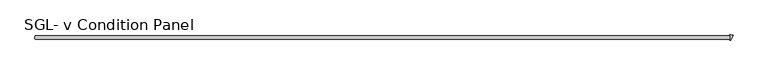
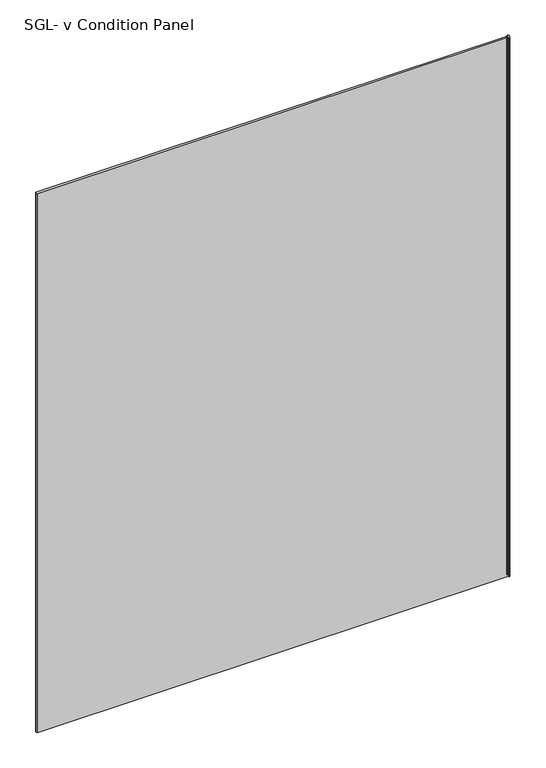
"""IFC4 building model written with IfcOpenShell, lengths in millimetres: plate geometry, SGL- v Condition Panel."""

import ifcopenshell
import ifcopenshell.guid

model = None  # the IFC model being written
_history = None  # IfcOwnerHistory: only IFC2X3 demands one
_inside = {}  # id of a spatial element -> (the spatial element, [elements in it])
_under = {}  # id of a project, library or spatial element -> (it, [spatial elements below it])
_declared = {}  # id of a project -> (the project, [libraries it declares])
_typed = {}  # id of a type object -> (the type object, [elements of that type])
_made_of = {}  # id of a material, layer set ... -> (it, [elements and type objects made of it])


def new_model(schema):
    """Start an empty IFC model of exactly this schema.

    Asked for "IFC4X3", IfcOpenShell would pick the latest addendum, in which some entities
    have other attributes; the version numbers below select the first issue.
    IFC2X3 requires an IfcOwnerHistory on every rooted entity: one is made here for all.
    """
    global model, _history
    if schema == "IFC4X3":
        model = ifcopenshell.file(schema_version=(4, 3, 0, 0))
    else:
        model = ifcopenshell.file(schema=schema)
    _inside.clear()
    _under.clear()
    _declared.clear()
    _typed.clear()
    _made_of.clear()
    _history = None
    if model.schema == "IFC2X3":
        org = make("IfcOrganization", Name="unknown")
        user = make(
            "IfcPersonAndOrganization",
            ThePerson=make("IfcPerson", FamilyName="unknown"),
            TheOrganization=org,
        )
        app = make(
            "IfcApplication",
            ApplicationDeveloper=org,
            Version="unknown",
            ApplicationFullName="unknown",
            ApplicationIdentifier="unknown",
        )
        _history = make(
            "IfcOwnerHistory",
            OwningUser=user,
            OwningApplication=app,
            ChangeAction="ADDED",
            CreationDate=0,
        )
    return model


def make(cls, **values):
    """One entity of the class cls with the attributes given. An attribute that is None is left unset."""
    return model.create_entity(
        cls, **{name: value for name, value in values.items() if value is not None}
    )


def rooted(cls, **values):
    """An entity with a GlobalId (a new one), such as an element, a storey or a relation."""
    return make(cls, GlobalId=ifcopenshell.guid.new(), OwnerHistory=_history, **values)


def si_unit(unit_type, name, prefix=None):
    """IfcSIUnit, for example si_unit("LENGTHUNIT", "METRE", prefix="MILLI")."""
    return make("IfcSIUnit", UnitType=unit_type, Prefix=prefix, Name=name)


def assignment(units):
    """IfcUnitAssignment: the units of a project."""
    return None if units is None else make("IfcUnitAssignment", Units=units)


def point(xyz):
    """IfcCartesianPoint."""
    return None if xyz is None else make("IfcCartesianPoint", Coordinates=xyz)


def direction(xyz):
    """IfcDirection."""
    return None if xyz is None else make("IfcDirection", DirectionRatios=xyz)


def frame(location, z_axis=None, x_axis=None):
    """IfcAxis2Placement3D, a coordinate frame: its origin and axes. An axis left out is left unset."""
    return make(
        "IfcAxis2Placement3D",
        Location=point(location),
        Axis=direction(z_axis),
        RefDirection=direction(x_axis),
    )


def frame_2d(location, x_axis=None):
    """IfcAxis2Placement2D, a coordinate frame in the plane: its origin and x axis."""
    return make(
        "IfcAxis2Placement2D", Location=point(location), RefDirection=direction(x_axis)
    )


def origin():
    """The frame at (0, 0, 0) with its axes left unset."""
    return frame((0.0, 0.0, 0.0))


def origin_with_axes():
    """The frame at (0, 0, 0) with the z axis (0, 0, 1) and the x axis (1, 0, 0) written out."""
    return frame((0.0, 0.0, 0.0), z_axis=(0.0, 0.0, 1.0), x_axis=(1.0, 0.0, 0.0))


def place(relative_to, where):
    """IfcLocalPlacement: puts the frame where relative to a parent placement (None: the world)."""
    return make(
        "IfcLocalPlacement", PlacementRelTo=relative_to, RelativePlacement=where
    )


def context(
    kind, dimensions, precision=None, world=None, true_north=None, identifier=None
):
    """IfcGeometricRepresentationContext, for example the 3D "Model" context."""
    return make(
        "IfcGeometricRepresentationContext",
        ContextIdentifier=identifier,
        ContextType=kind,
        CoordinateSpaceDimension=dimensions,
        Precision=precision,
        WorldCoordinateSystem=world,
        TrueNorth=true_north,
    )


def project(units=None, contexts=None):
    """IfcProject with its units and contexts."""
    return rooted(
        "IfcProject",
        Name="project",
        RepresentationContexts=contexts,
        UnitsInContext=assignment(units),
    )


def spatial(cls, under=None, at=None, **own):
    """A site, building, storey or space (cls), placed at a placement, below another one or the project."""
    s = rooted(cls, ObjectPlacement=at, **own)
    if under is not None:
        _under.setdefault(under.id(), (under, []))[1].append(s)
    return s


def polyline(points):
    """IfcPolyline through the points."""
    return make("IfcPolyline", Points=[point(p) for p in points])


def circle_curve(where, radius):
    """IfcCircle in the frame where."""
    return make("IfcCircle", Position=where, Radius=radius)


def trimmed(basis, trim1, trim2, sense, master):
    """IfcTrimmedCurve: the piece of a basis curve between two trims."""
    return make(
        "IfcTrimmedCurve",
        BasisCurve=basis,
        Trim1=trim1,
        Trim2=trim2,
        SenseAgreement=sense,
        MasterRepresentation=master,
    )


def segment(curve, same_sense, transition):
    """IfcCompositeCurveSegment."""
    return make(
        "IfcCompositeCurveSegment",
        Transition=transition,
        SameSense=same_sense,
        ParentCurve=curve,
    )


def composite_curve(segments, self_intersect=None):
    """IfcCompositeCurve: segments joined end to end."""
    return make("IfcCompositeCurve", Segments=segments, SelfIntersect=self_intersect)


def outline(outer, holes=None, kind="AREA"):
    """IfcArbitraryClosedProfileDef: a profile drawn as a closed curve; with holes, ...WithVoids."""
    if holes is None:
        return make("IfcArbitraryClosedProfileDef", ProfileType=kind, OuterCurve=outer)
    return make(
        "IfcArbitraryProfileDefWithVoids",
        ProfileType=kind,
        OuterCurve=outer,
        InnerCurves=holes,
    )


def extrude(swept, where, along, depth):
    """IfcExtrudedAreaSolid: the profile swept, set in the frame where, extruded along a direction by depth."""
    return make(
        "IfcExtrudedAreaSolid",
        SweptArea=swept,
        Position=where,
        ExtrudedDirection=direction(along),
        Depth=depth,
    )


def shape(context_of_items, identifier, shape_type, items):
    """IfcShapeRepresentation: the items that make up one representation, for example the "Body"."""
    return make(
        "IfcShapeRepresentation",
        ContextOfItems=context_of_items,
        RepresentationIdentifier=identifier,
        RepresentationType=shape_type,
        Items=items,
    )


def source(mapping_origin, context_of_items, identifier, shape_type, items):
    """IfcRepresentationMap: a shape defined once, which mapped items show again and again."""
    return make(
        "IfcRepresentationMap",
        MappingOrigin=mapping_origin,
        MappedRepresentation=shape(context_of_items, identifier, shape_type, items),
    )


def transform(
    local_origin,
    x_axis=None,
    y_axis=None,
    z_axis=None,
    scale=None,
    scale2=None,
    scale3=None,
    uniform=True,
):
    """IfcCartesianTransformationOperator3D, or its non-uniform kind. x_axis, y_axis, z_axis: its Axis1, 2, 3."""
    if uniform:
        return make(
            "IfcCartesianTransformationOperator3D",
            Axis1=direction(x_axis),
            Axis2=direction(y_axis),
            LocalOrigin=point(local_origin),
            Scale=scale,
            Axis3=direction(z_axis),
        )
    return make(
        "IfcCartesianTransformationOperator3DnonUniform",
        Axis1=direction(x_axis),
        Axis2=direction(y_axis),
        LocalOrigin=point(local_origin),
        Scale=scale,
        Axis3=direction(z_axis),
        Scale2=scale2,
        Scale3=scale3,
    )


def mapped(mapping_source, mapping_target):
    """IfcMappedItem: shows the shape of a source again, moved by a transform."""
    return make(
        "IfcMappedItem", MappingSource=mapping_source, MappingTarget=mapping_target
    )


def made_of(thing, what):
    """Note that an element or type object is made of a material, layer set ...; save() writes the relation."""
    if what is not None:
        _made_of.setdefault(what.id(), (what, []))[1].append(thing)
    return thing


def element(
    cls,
    number,
    at=None,
    inside=None,
    cuts=None,
    type_object=None,
    material=None,
    context=None,
    identifier="Body",
    shape_type=None,
    held_by="IfcProductDefinitionShape",
    body=None,
    shapes=None,
    **own,
):
    """One element of the class cls, such as IfcWall. Its Tag is "e" and its number.

    at: its placement. inside: the storey or other place that contains it. cuts: it is an
    opening in that element (IfcRelVoidsElement). A single representation is given by context,
    identifier, shape_type and body (its items); several are given by shapes. held_by: the class
    of the entity that holds the representations. save() writes the other relations.
    """
    e = rooted(cls, Tag="e%d" % number, ObjectPlacement=at, **own)
    if body is not None:
        shapes = [shape(context, identifier, shape_type, body)]
    if shapes is not None:
        e.Representation = make(held_by, Representations=shapes)
    if inside is not None:
        _inside.setdefault(inside.id(), (inside, []))[1].append(e)
    if cuts is not None:
        rooted(
            "IfcRelVoidsElement", RelatingBuildingElement=cuts, RelatedOpeningElement=e
        )
    if type_object is not None:
        _typed.setdefault(type_object.id(), (type_object, []))[1].append(e)
    return made_of(e, material)


def aggregate(whole, parts):
    """IfcRelAggregates: a whole, such as a stair, and the parts it consists of."""
    return rooted("IfcRelAggregates", RelatingObject=whole, RelatedObjects=parts)


def save(model, path):
    """Write the relations noted so far, then the file.

    IfcRelAggregates (storeys below a building ...), IfcRelContainedInSpatialStructure (elements
    in a storey), IfcRelDefinesByType, IfcRelAssociatesMaterial and IfcRelDeclares: one each for
    every whole, place, type object, material and project.
    """
    for whole, parts in _under.values():
        aggregate(whole, parts)
    for where, things in _inside.values():
        rooted(
            "IfcRelContainedInSpatialStructure",
            RelatedElements=things,
            RelatingStructure=where,
        )
    for kind, things in _typed.values():
        rooted("IfcRelDefinesByType", RelatedObjects=things, RelatingType=kind)
    for what, things in _made_of.values():
        rooted("IfcRelAssociatesMaterial", RelatedObjects=things, RelatingMaterial=what)
    for by, libraries in _declared.values():
        rooted("IfcRelDeclares", RelatingContext=by, RelatedDefinitions=libraries)
    model.write(path)


def sgl_v_condition_panel_ce335088(model_context):
    return source(origin(), model_context, "Body", "SweptSolid", [
        extrude(outline(composite_curve([segment(polyline([(973.3287433, 20.6375), (973.3287433, 30.1625), (971.2495356, 32.2417077)]), True, "CONTINUOUS"), segment(trimmed(circle_curve(frame_2d((971.5301686, 32.5223407)), 0.396875), [point((971.2495356, 32.2417077))], [point((971.4744014, 32.9152781))], False, "CARTESIAN"), True, "CONTINUOUS"), segment(trimmed(circle_curve(frame_2d((973.9573967, 15.4200115)), 17.6705863), [point((971.4744014, 32.9152781))], [point((980.7196373, 31.7455045))], False, "CARTESIAN"), True, "CONTINUOUS"), segment(polyline([(980.7196373, 31.7455045), (974.8726786, 17.6296974)]), True, "CONTINUOUS"), segment(trimmed(circle_curve(frame_2d((971.7275084, 10.036585)), 8.2187257), [point((974.8726786, 17.6296974))], [point((971.8948296, 18.2536073))], True, "CARTESIAN"), True, "CONTINUOUS"), segment(trimmed(circle_curve(frame_2d((971.9029094, 18.6504)), 0.396875), [point((971.8948296, 18.2536073))], [point((971.6222763, 18.9310331))], False, "CARTESIAN"), True, "CONTINUOUS"), segment(polyline([(971.6222763, 18.9310331), (973.3287433, 20.6375)]), True, "CONTINUOUS")], self_intersect=False)), origin_with_axes(), (0.0, 0.0, 1.0), 2339.914687),
        extrude(outline(polyline([(971.7412433, 30.1625), (973.3287433, 28.575), (973.3287433, 22.225), (971.7412433, 20.6375), (-965.9955201, 20.6375), (-967.5830201, 22.225), (-967.5830201, 28.575), (-965.9955201, 30.1625), (971.7412433, 30.1625)])), origin_with_axes(), (0.0, 0.0, 1.0), 2339.914687),
    ])


if __name__ == "__main__":
    model = new_model("IFC4")
    model_context = context("Model", 3, world=origin())
    ifc_project = project(units=[si_unit("LENGTHUNIT", "METRE", prefix="MILLI")], contexts=[model_context])
    site = spatial("IfcSite", under=ifc_project)
    building = spatial("IfcBuilding", under=site)
    placement = place(None, origin())
    sgl_v_condition_panel_shape = sgl_v_condition_panel_ce335088(model_context)
    element("IfcPlate", 1, ObjectType="SGL- v Condition Panel", at=placement, inside=building, context=model_context, shape_type="MappedRepresentation", body=[
        mapped(sgl_v_condition_panel_shape, transform((0.0, 0.0, 0.0), x_axis=(1.0, 0.0, 0.0), y_axis=(0.0, 1.0, 0.0), z_axis=(0.0, 0.0, 1.0))),
    ])
    save(model, "model.ifc")
